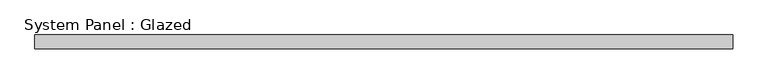
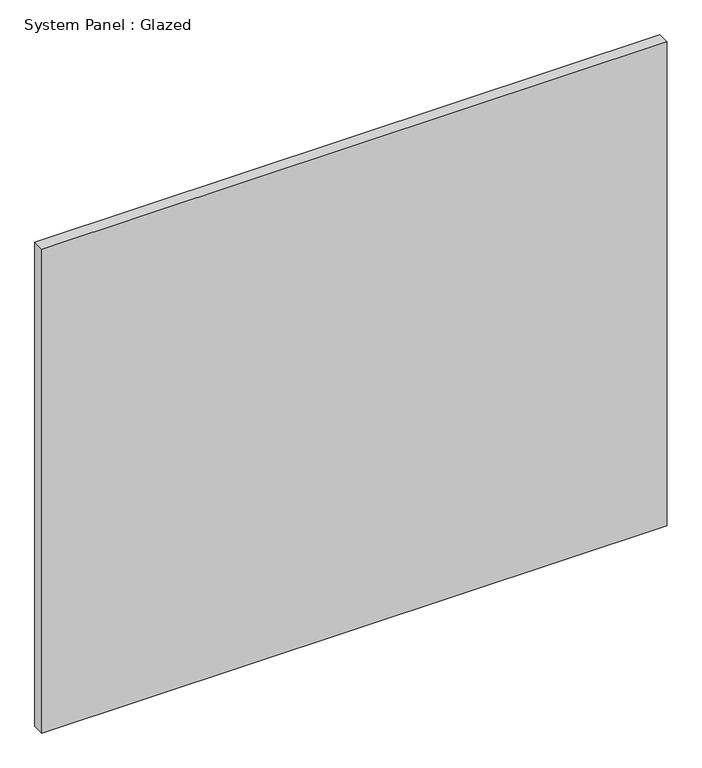
"""IFC4 building model written with IfcOpenShell, lengths in millimetres: plate geometry, System Panel : Glazed."""

from ifc_helpers import new_model, si_unit, origin, origin_with_axes, place, context, project, spatial, polyline, outline, extrude, source, transform, mapped, element, save


def system_panel_glazed_2c3cd010(model_context):
    return source(origin(), model_context, "Body", "SweptSolid", [
        extrude(outline(polyline([(651.9333333, -12.7), (-651.9333333, -12.7), (-651.9333333, 12.7), (651.9333333, 12.7), (651.9333333, -12.7)])), origin_with_axes(), (0.0, 0.0, 1.0), 1066.8),
    ])


if __name__ == "__main__":
    model = new_model("IFC4")
    model_context = context("Model", 3, world=origin())
    ifc_project = project(units=[si_unit("LENGTHUNIT", "METRE", prefix="MILLI")], contexts=[model_context])
    site = spatial("IfcSite", under=ifc_project)
    building = spatial("IfcBuilding", under=site)
    placement = place(None, origin())
    system_panel_glazed_shape = system_panel_glazed_2c3cd010(model_context)
    element("IfcPlate", 1, ObjectType="System Panel : Glazed", at=placement, inside=building, context=model_context, shape_type="MappedRepresentation", body=[
        mapped(system_panel_glazed_shape, transform((0.0, 0.0, 0.0), x_axis=(1.0, 0.0, 0.0), y_axis=(0.0, 1.0, 0.0), z_axis=(0.0, 0.0, 1.0))),
    ])
    save(model, "model.ifc")
